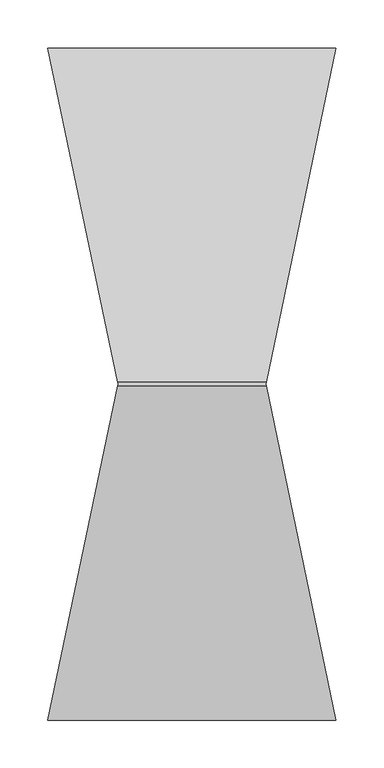
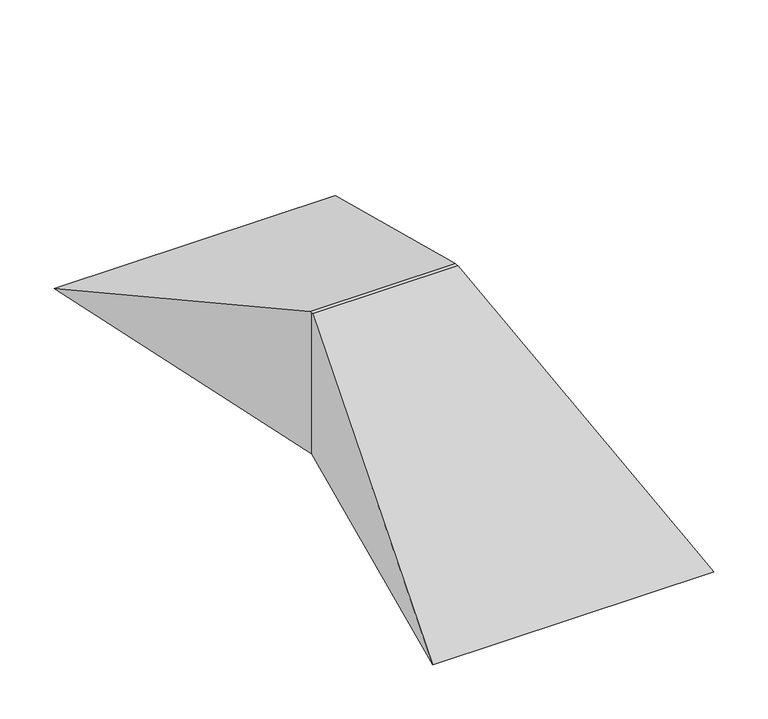
"""IFC4 building model written with IfcOpenShell, lengths in millimetres: proxy geometry."""

from ifc_helpers import new_model, si_unit, origin, place, context, project, spatial, faceted_brep, source, transform, mapped, element, save


def generic_models_055815cf(model_context):
    return source(origin(), model_context, "Body", "Brep", [
        faceted_brep([(73.0, 0.0, 160.0), (72.5828571, -2.0, 160.0), (227.4171429, -2.0, 160.0), (227.0, 0.0, 160.0), (227.4171429, 2.0, 160.0), (72.5828571, 2.0, 160.0), (73.0, 0.0, 0.0), (0.0, 350.0, 0.0), (300.0, 350.0, 0.0), (227.0, 0.0, 0.0), (300.0, -350.0, 0.0), (0.0, -350.0, 0.0)], [[[0, 1, 2, 3, 4, 5]], [[6, 7, 8, 9, 10, 11]], [[6, 11, 1, 0]], [[11, 10, 2, 1]], [[10, 9, 3, 2]], [[9, 8, 4, 3]], [[8, 7, 5, 4]], [[7, 6, 0, 5]]]),
    ])


if __name__ == "__main__":
    model = new_model("IFC4")
    model_context = context("Model", 3, world=origin())
    ifc_project = project(units=[si_unit("LENGTHUNIT", "METRE", prefix="MILLI")], contexts=[model_context])
    site = spatial("IfcSite", under=ifc_project)
    building = spatial("IfcBuilding", under=site)
    placement = place(None, origin())
    generic_models_shape = generic_models_055815cf(model_context)
    element("IfcBuildingElementProxy", 1, Name="Generic Models", at=placement, inside=building, context=model_context, shape_type="MappedRepresentation", body=[
        mapped(generic_models_shape, transform((0.0, 0.0, 0.0), x_axis=(1.0, 0.0, 0.0), y_axis=(0.0, 1.0, 0.0), z_axis=(0.0, 0.0, 1.0))),
    ])
    save(model, "model.ifc")
